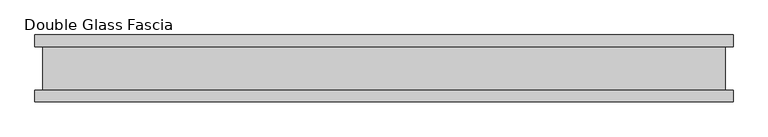
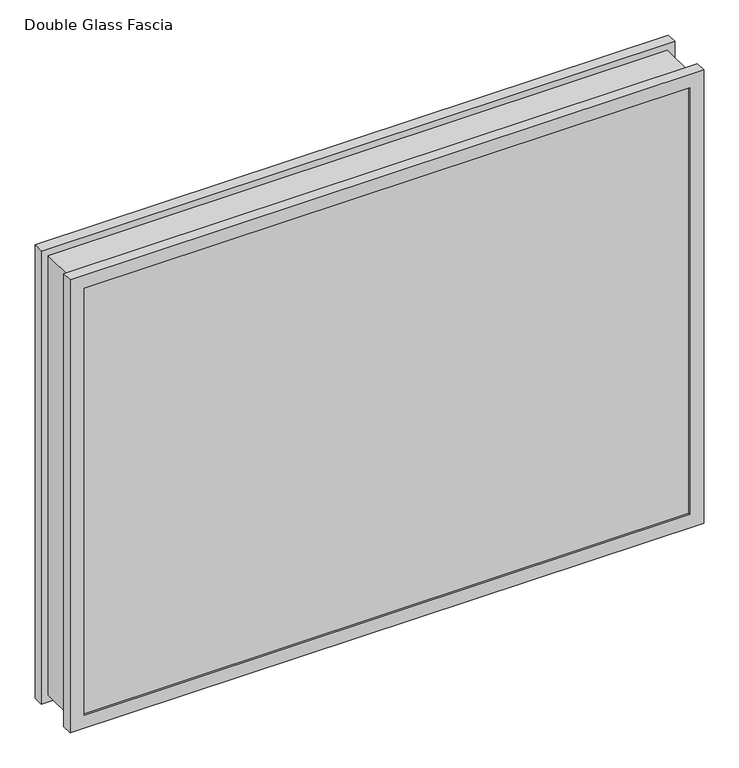
"""IFC4 building model written with IfcOpenShell, lengths in millimetres: proxy geometry, Double Glass Fascia."""

from ifc_helpers import new_model, si_unit, frame, origin, place, context, project, spatial, polyline, outline, extrude, faceted_brep, source, transform, mapped, element, save


def double_glass_fascia_6fd62a91(model_context):
    return source(origin(), model_context, "Body", "SolidModel", [
        faceted_brep([(510.3202112, -32.4352299, 780.4920849), (510.3202112, -32.4352299, 15.0359151), (510.3202112, 32.4352299, 15.0359151), (510.3202112, 32.4352299, 780.4920849), (-510.3202112, -32.4352299, 15.0359151), (-510.3202112, 32.4352299, 15.0359151), (-510.3202112, -32.4352299, 780.4920849), (-510.3202112, 32.4352299, 780.4920849), (499.1433263, 38.8962152, 769.3152), (499.1433263, 38.8962152, 26.2128), (499.1433263, -38.8962152, 26.2128), (499.1433263, -38.8962152, 769.3152), (515.8779655, 47.1322551, 786.0498392), (515.8779655, 47.1322551, 9.4781608), (515.8779655, 38.8962152, 9.4781608), (515.8779655, 38.8962152, 786.0498392), (498.9655263, 50.0558594, 769.1374), (498.9655263, 50.0558594, 26.3906), (498.9655263, 47.1322551, 26.3906), (498.9655263, 47.1322551, 769.1374), (522.1811263, 32.4352299, 792.353), (522.1811263, 32.4352299, 3.175), (522.1811263, 50.0558594, 3.175), (522.1811263, 50.0558594, 792.353), (-499.1433263, 38.8962152, 26.2128), (-499.1433263, -38.8962152, 26.2128), (-515.8779655, 47.1322551, 9.4781608), (-515.8779655, 38.8962152, 9.4781608), (-498.9655263, 50.0558594, 26.3906), (-498.9655263, 47.1322551, 26.3906), (-522.1811263, 32.4352299, 3.175), (-522.1811263, 50.0558594, 3.175), (-499.1433263, 38.8962152, 769.3152), (-499.1433263, -38.8962152, 769.3152), (-515.8779655, 47.1322551, 786.0498392), (-515.8779655, 38.8962152, 786.0498392), (-498.9655263, 50.0558594, 769.1374), (-498.9655263, 47.1322551, 769.1374), (-522.1811263, 32.4352299, 792.353), (-522.1811263, 50.0558594, 792.353), (522.1811263, -50.0558594, 792.353), (522.1811263, -50.0558594, 3.175), (522.1811263, -32.4352299, 3.175), (522.1811263, -32.4352299, 792.353), (499.1433263, -47.1322551, 769.3152), (499.1433263, -47.1322551, 26.2128), (499.1433263, -50.0558594, 26.2128), (499.1433263, -50.0558594, 769.3152), (515.8779655, -38.8962152, 786.0498392), (515.8779655, -38.8962152, 9.4781608), (515.8779655, -47.1322551, 9.4781608), (515.8779655, -47.1322551, 786.0498392), (-522.1811263, -50.0558594, 3.175), (-522.1811263, -32.4352299, 3.175), (-499.1433263, -47.1322551, 26.2128), (-499.1433263, -50.0558594, 26.2128), (-515.8779655, -38.8962152, 9.4781608), (-515.8779655, -47.1322551, 9.4781608), (-522.1811263, -50.0558594, 792.353), (-522.1811263, -32.4352299, 792.353), (-499.1433263, -47.1322551, 769.3152), (-499.1433263, -50.0558594, 769.3152), (-515.8779655, -38.8962152, 786.0498392), (-515.8779655, -47.1322551, 786.0498392)], [[[0, 1, 2, 3]], [[1, 4, 5, 2]], [[4, 6, 7, 5]], [[6, 0, 3, 7]], [[8, 9, 10, 11]], [[12, 13, 14, 15]], [[16, 17, 18, 19]], [[20, 21, 22, 23]], [[9, 24, 25, 10]], [[13, 26, 27, 14]], [[17, 28, 29, 18]], [[21, 30, 31, 22]], [[24, 32, 33, 25]], [[26, 34, 35, 27]], [[28, 36, 37, 29]], [[30, 38, 39, 31]], [[32, 8, 11, 33]], [[15, 14, 27, 35], [9, 8, 32, 24]], [[34, 12, 15, 35]], [[13, 12, 34, 26], [19, 18, 29, 37]], [[36, 16, 19, 37]], [[23, 22, 31, 39], [17, 16, 36, 28]], [[38, 20, 23, 39]], [[21, 20, 38, 30], [3, 2, 5, 7]], [[40, 41, 42, 43]], [[44, 45, 46, 47]], [[48, 49, 50, 51]], [[41, 52, 53, 42]], [[45, 54, 55, 46]], [[49, 56, 57, 50]], [[52, 58, 59, 53]], [[54, 60, 61, 55]], [[56, 62, 63, 57]], [[43, 42, 53, 59], [1, 0, 6, 4]], [[58, 40, 43, 59]], [[41, 40, 58, 52], [47, 46, 55, 61]], [[60, 44, 47, 61]], [[51, 50, 57, 63], [45, 44, 60, 54]], [[62, 48, 51, 63]], [[49, 48, 62, 56], [11, 10, 25, 33]]]),
        extrude(outline(polyline([(511.3561264, 40.9277344), (-511.3561264, 40.9277344), (-511.3561264, 46.8808594), (511.3561264, 46.8808594), (511.3561264, 40.9277344)])), frame((0.0, 0.0, 5.3275263), z_axis=(0.0, 0.0, 1.0), x_axis=(1.0, 0.0, 0.0)), (0.0, 0.0, 1.0), 784.378928),
        extrude(outline(polyline([(511.3561264, -41.1791301), (511.3561264, -47.1322551), (-511.3561264, -47.1322551), (-511.3561264, -41.1791301), (511.3561264, -41.1791301)])), frame((0.0, 0.0, 5.3275263), z_axis=(0.0, 0.0, 1.0), x_axis=(1.0, 0.0, 0.0)), (0.0, 0.0, 1.0), 784.378928),
    ])


if __name__ == "__main__":
    model = new_model("IFC4")
    model_context = context("Model", 3, world=origin())
    ifc_project = project(units=[si_unit("LENGTHUNIT", "METRE", prefix="MILLI")], contexts=[model_context])
    site = spatial("IfcSite", under=ifc_project)
    building = spatial("IfcBuilding", under=site)
    placement = place(None, origin())
    double_glass_fascia_shape = double_glass_fascia_6fd62a91(model_context)
    element("IfcBuildingElementProxy", 1, Name="Double Glass Fascia", ObjectType="Double Glass Fascia", at=placement, inside=building, context=model_context, shape_type="MappedRepresentation", body=[
        mapped(double_glass_fascia_shape, transform((0.0, 0.0, 0.0), x_axis=(1.0, 0.0, 0.0), y_axis=(0.0, 1.0, 0.0), z_axis=(0.0, 0.0, 1.0))),
    ])
    save(model, "model.ifc")
